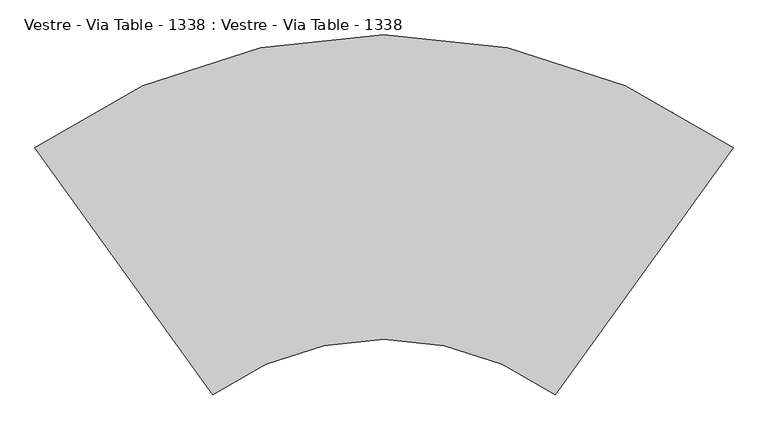
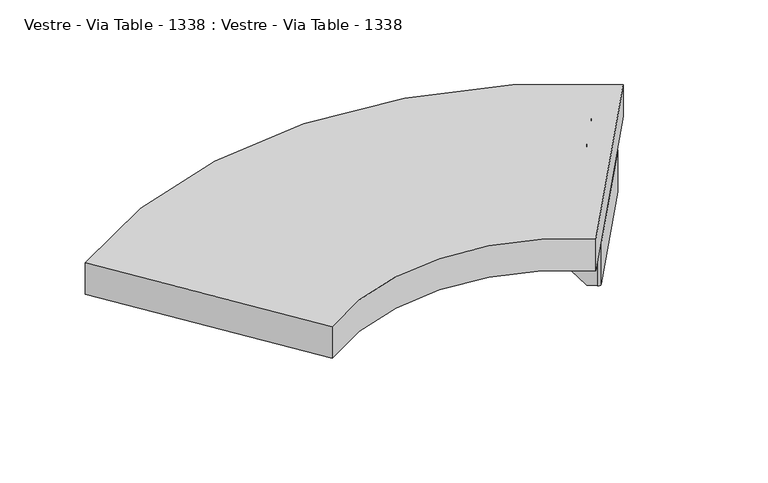
"""IFC4 building model written with IfcOpenShell, lengths in millimetres: furniture geometry, Vestre - Via Table - 1338 : Vestre - Via Table - 1338."""

from ifc_helpers import new_model, si_unit, point, frame, frame_2d, origin, place, context, project, spatial, polyline, circle_curve, trimmed, segment, composite_curve, outline, extrude, source, transform, mapped, element, save
from ifc_brep_helpers import plane_surface, cylinder_surface, revolved_surface, advanced_brep


def vestre_via_table_1338_vestre_via_table_1338_07bccf58(model_context):
    return source(origin(), model_context, "Body", "SolidModel", [
        extrude(outline(composite_curve([segment(trimmed(circle_curve(frame_2d((0.0, -743.9503157)), 489.1592), [point((286.4397613, -347.4292114))], [point((-286.4397613, -347.4292114))], True, "CARTESIAN"), True, "CONTINUOUS"), segment(polyline([(-286.4397613, -347.4292114), (-584.6026974, 66.3326325)]), True, "CONTINUOUS"), segment(trimmed(circle_curve(frame_2d((0.0, -743.8638339)), 999.088899), [point((-584.6026974, 66.3326325))], [point((584.6026974, 66.3326325))], False, "CARTESIAN"), True, "CONTINUOUS"), segment(polyline([(584.6026974, 66.3326325), (286.4397613, -347.4292114)]), True, "CONTINUOUS")], self_intersect=False)), frame((0.0, 0.0, 599.3451332), z_axis=(0.0, 0.0, 1.0), x_axis=(1.0, 0.0, 0.0)), (0.0, 0.0, 1.0), 72.0),
        advanced_brep(
        [(341.2117595, -259.4485996, 594.3451332), (342.834355, -260.617866, 592.3451332), (346.8908437, -263.541032, 592.3451332), (341.2117595, -259.4485996, 599.3451332), (518.4725482, -13.4631268, 599.3451332), (524.1516324, -17.5555593, 592.3451332), (520.0951437, -14.6323933, 592.3451332), (518.4725482, -13.4631268, 594.3451332), (346.8908437, -263.541032, 497.1951332), (524.1516324, -17.5555593, 497.1951332), (337.1193271, -265.1276837, 497.1951332), (321.9454173, -254.1931387, 497.1951332), (324.8685834, -250.1366501, 497.1951332), (340.0424931, -261.071195, 497.1951332), (342.834355, -260.617866, 497.1951332), (520.0951437, -14.6323933, 497.1951332), (519.6418146, -11.8405314, 497.1951332), (504.4679049, -0.9059864, 497.1951332), (507.3910709, 3.1505022, 497.1951332), (522.5649807, -7.7840427, 497.1951332), (434.3837169, 55.7606869, 591.4857199), (433.7278789, 56.2332936, 593.3451332), (514.8576522, -2.2300272, 593.3451332), (514.8576522, -2.2300272, 592.3451332), (522.5649807, -7.7840427, 592.3451332), (505.6182177, 4.4280466, 498.1396839), (431.4605509, 51.7041983, 591.4857199), (502.6950517, 0.371558, 498.1396839), (519.6418146, -11.8405314, 592.3451332), (511.9344862, -6.2865159, 592.3451332), (511.9344862, -6.2865159, 593.3451332), (430.8047129, 52.1768049, 593.3451332), (248.9380633, -201.582954, 591.4857199), (320.1725641, -252.9155943, 498.1396839), (337.1193271, -265.1276837, 592.3451332), (329.4119986, -259.5736682, 592.3451332), (329.4119986, -259.5736682, 593.3451332), (248.2822253, -201.1103474, 593.3451332), (251.8612294, -197.5264654, 591.4857199), (251.2053913, -197.0538587, 593.3451332), (332.3351646, -255.5171795, 593.3451332), (332.3351646, -255.5171795, 592.3451332), (340.0424931, -261.071195, 592.3451332), (323.0957301, -248.8591057, 498.1396839), (321.4414059, -94.4556509, 599.3451332), (303.0839232, -119.9303997, 599.3451332), (303.7639167, -124.1181925, 599.3451332), (330.5367419, -143.4110884, 599.3451332), (331.2167355, -147.5988812, 599.3451332), (303.972828, -185.4053556, 599.3451332), (299.7850352, -186.0853492, 599.3451332), (273.01221, -166.7924533, 599.3451332), (268.8244172, -167.4724469, 599.3451332), (250.4669344, -192.9471957, 599.3451332), (251.146928, -197.1349885, 599.3451332), (277.9197532, -216.4278844, 599.3451332), (278.5997468, -220.6156772, 599.3451332), (251.3558393, -258.4221516, 599.3451332), (247.1680465, -259.1021451, 599.3451332), (220.3952213, -239.8092493, 599.3451332), (216.2074284, -240.4892429, 599.3451332), (197.9668723, -265.8017321, 599.3451332), (198.6468659, -269.989525, 599.3451332), (243.2682412, -302.1443514, 599.3451332), (247.4560341, -301.4643578, 599.3451332), (296.5067602, -233.396478, 599.3451332), (300.694553, -232.7164844, 599.3451332), (340.0424931, -261.071195, 599.3451332), (519.6418146, -11.8405314, 599.3451332), (480.2938746, 16.5141792, 599.3451332), (479.613881, 20.701972, 599.3451332), (528.6646072, 88.7698519, 599.3451332), (527.9846136, 92.9576447, 599.3451332), (483.3632383, 125.1124711, 599.3451332), (479.1754454, 124.4324776, 599.3451332), (460.9348893, 99.1199883, 599.3451332), (461.6148829, 94.9321955, 599.3451332), (488.3877081, 75.6392996, 599.3451332), (489.0677017, 71.4515068, 599.3451332), (461.8237942, 33.6450324, 599.3451332), (457.6360014, 32.9650388, 599.3451332), (430.8631762, 52.2579347, 599.3451332), (426.6753834, 51.5779411, 599.3451332), (408.3179006, 26.1031923, 599.3451332), (408.9978942, 21.9153995, 599.3451332), (435.7707194, 2.6225036, 599.3451332), (436.450713, -1.5652892, 599.3451332), (409.2068055, -39.3717636, 599.3451332), (405.0190126, -40.0517572, 599.3451332), (378.2461874, -20.7588613, 599.3451332), (374.0583946, -21.4388549, 599.3451332), (355.7009119, -46.9136037, 599.3451332), (356.3809055, -51.1013965, 599.3451332), (383.1537307, -70.3942924, 599.3451332), (383.8337242, -74.5820852, 599.3451332), (356.5898167, -112.3885596, 599.3451332), (352.4020239, -113.0685532, 599.3451332), (325.6291987, -93.7756573, 599.3451332), (353.2530785, -159.7808182, 599.3451332), (388.138881, -184.9200462, 599.3451332), (388.8188746, -189.107839, 599.3451332), (361.5749671, -226.9143134, 599.3451332), (357.3871742, -227.5943069, 599.3451332), (322.5013717, -202.455079, 599.3451332), (321.8213781, -198.2672862, 599.3451332), (349.0652856, -160.4608118, 599.3451332), (405.8700672, -86.7640222, 599.3451332), (440.7558697, -111.9032502, 599.3451332), (441.4358633, -116.091043, 599.3451332), (412.4380562, -156.3314106, 599.3451332), (375.1183604, -129.438283, 599.3451332), (374.4383669, -125.2504902, 599.3451332), (401.6822744, -87.4440158, 599.3451332), (458.4870559, -13.7472262, 599.3451332), (493.3728584, -38.8864542, 599.3451332), (494.052852, -43.074247, 599.3451332), (466.8089445, -80.8807214, 599.3451332), (462.6211517, -81.5607149, 599.3451332), (427.7353492, -56.421487, 599.3451332), (427.0553556, -52.2336942, 599.3451332), (454.2992631, -14.4272198, 599.3451332), (321.4414059, -94.4556509, 594.3451332), (325.6291987, -93.7756573, 594.3451332), (352.4020239, -113.0685532, 594.3451332), (356.5898167, -112.3885596, 594.3451332), (383.8337242, -74.5820852, 594.3451332), (383.1537307, -70.3942924, 594.3451332), (356.3809055, -51.1013965, 594.3451332), (355.7009119, -46.9136037, 594.3451332), (374.0583946, -21.4388549, 594.3451332), (378.2461874, -20.7588613, 594.3451332), (405.0190126, -40.0517572, 594.3451332), (409.2068055, -39.3717636, 594.3451332), (436.450713, -1.5652892, 594.3451332), (435.7707194, 2.6225036, 594.3451332), (408.9978942, 21.9153995, 594.3451332), (408.3179006, 26.1031923, 594.3451332), (426.6753834, 51.5779411, 594.3451332), (430.8631762, 52.2579347, 594.3451332), (457.6360014, 32.9650388, 594.3451332), (461.8237942, 33.6450324, 594.3451332), (489.0677017, 71.4515068, 594.3451332), (488.3877081, 75.6392996, 594.3451332), (461.6148829, 94.9321955, 594.3451332), (460.9348893, 99.1199883, 594.3451332), (479.1754454, 124.4324776, 594.3451332), (483.3632383, 125.1124711, 594.3451332), (527.9846136, 92.9576447, 594.3451332), (528.6646072, 88.7698519, 594.3451332), (479.613881, 20.701972, 594.3451332), (480.2938746, 16.5141792, 594.3451332), (519.6418146, -11.8405314, 594.3451332), (340.0424931, -261.071195, 594.3451332), (300.694553, -232.7164844, 594.3451332), (296.5067602, -233.396478, 594.3451332), (247.4560341, -301.4643578, 594.3451332), (243.2682412, -302.1443514, 594.3451332), (198.6468659, -269.989525, 594.3451332), (197.9668723, -265.8017321, 594.3451332), (216.2074284, -240.4892429, 594.3451332), (220.3952213, -239.8092493, 594.3451332), (247.1680465, -259.1021451, 594.3451332), (251.3558393, -258.4221516, 594.3451332), (278.5997468, -220.6156772, 594.3451332), (277.9197532, -216.4278844, 594.3451332), (251.146928, -197.1349885, 594.3451332), (250.4669344, -192.9471957, 594.3451332), (268.8244172, -167.4724469, 594.3451332), (273.01221, -166.7924533, 594.3451332), (299.7850352, -186.0853492, 594.3451332), (303.972828, -185.4053556, 594.3451332), (331.2167355, -147.5988812, 594.3451332), (330.5367419, -143.4110884, 594.3451332), (303.7639167, -124.1181925, 594.3451332), (303.0839232, -119.9303997, 594.3451332), (353.2530785, -159.7808182, 594.3451332), (349.0652856, -160.4608118, 594.3451332), (321.8213781, -198.2672862, 594.3451332), (322.5013717, -202.455079, 594.3451332), (357.3871742, -227.5943069, 594.3451332), (361.5749671, -226.9143134, 594.3451332), (388.8188746, -189.107839, 594.3451332), (388.138881, -184.9200462, 594.3451332), (405.8700672, -86.7640222, 594.3451332), (401.6822744, -87.4440158, 594.3451332), (374.4383669, -125.2504902, 594.3451332), (375.1183604, -129.438283, 594.3451332), (412.4380562, -156.3314106, 594.3451332), (441.4358633, -116.091043, 594.3451332), (440.7558697, -111.9032502, 594.3451332), (458.4870559, -13.7472262, 594.3451332), (454.2992631, -14.4272198, 594.3451332), (427.0553556, -52.2336942, 594.3451332), (427.7353492, -56.421487, 594.3451332), (462.6211517, -81.5607149, 594.3451332), (466.8089445, -80.8807214, 594.3451332), (494.052852, -43.074247, 594.3451332), (493.3728584, -38.8864542, 594.3451332)],
        [
            (0, 1, circle_curve(frame((341.2117595, -259.4485996, 592.3451332), z_axis=(0.5846332081206281, 0.8112977332413683, 0.0), x_axis=(-0.8112977332413683, 0.5846332081206281, 0.0)), 2.0)),
            (1, 2),
            (2, 3, circle_curve(frame((341.2117595, -259.4485996, 592.3451332), z_axis=(-0.5846332081206281, -0.8112977332413683, 0.0), x_axis=(-0.8112977332413683, 0.5846332081206281, 0.0)), 7.0)),
            (3, 0),
            (4, 5, circle_curve(frame((518.4725482, -13.4631268, 592.3451332), z_axis=(0.5846332081206281, 0.8112977332413683, 0.0), x_axis=(-0.8112977332413683, 0.5846332081206281, 0.0)), 7.0)),
            (5, 6),
            (6, 7, circle_curve(frame((518.4725482, -13.4631268, 592.3451332), z_axis=(-0.5846332081206281, -0.8112977332413683, 0.0), x_axis=(-0.8112977332413683, 0.5846332081206281, 0.0)), 2.0)),
            (7, 4),
            (2, 5),
            (4, 3),
            (0, 7),
            (6, 1),
            (2, 8),
            (8, 9),
            (9, 5),
            (8, 10, circle_curve(frame((341.2117595, -259.4485996, 497.1951332), z_axis=(0.0, 0.0, -1.0), x_axis=(-0.8112977332413683, 0.5846332081206281, 0.0)), 7.0)),
            (10, 11),
            (11, 12),
            (12, 13),
            (13, 14, circle_curve(frame((341.2117595, -259.4485996, 497.1951332), z_axis=(0.0, 0.0, 1.0), x_axis=(-0.8112977332413683, 0.5846332081206281, 0.0)), 2.0)),
            (14, 15),
            (15, 16, circle_curve(frame((518.4725482, -13.4631268, 497.1951332), z_axis=(0.0, 0.0, 1.0), x_axis=(-0.8112977332413683, 0.5846332081206281, 0.0)), 2.0)),
            (16, 17),
            (17, 18),
            (18, 19),
            (19, 9, circle_curve(frame((518.4725482, -13.4631268, 497.1951332), z_axis=(0.0, 0.0, -1.0), x_axis=(-0.8112977332413683, 0.5846332081206281, 0.0)), 7.0)),
            (6, 15),
            (14, 1),
            (20, 21, circle_curve(frame((436.1565702, 54.4831425, 593.5411692), z_axis=(0.5846332081209136, 0.8112977332411626, 0.0), x_axis=(-0.8095637557041232, 0.5833836781287255, -0.06534531003243231)), 3.0)),
            (21, 22),
            (22, 23),
            (23, 24),
            (24, 19),
            (18, 25, circle_curve(frame((507.3910709, 3.1505022, 500.1951332), z_axis=(0.5846332081202801, 0.8112977332416191, 0.0), x_axis=(0.0, 0.0, -1.0)), 3.0)),
            (25, 20),
            (26, 27),
            (27, 17, circle_curve(frame((504.4679049, -0.9059864, 500.1951332), z_axis=(-0.5846332081202801, -0.8112977332416191, 0.0), x_axis=(0.0, 0.0, -1.0)), 3.0)),
            (16, 28),
            (28, 29),
            (29, 30),
            (30, 31),
            (31, 26, circle_curve(frame((433.2334041, 50.4266539, 593.5411692), z_axis=(-0.5846332081209136, -0.8112977332411626, 0.0), x_axis=(-0.8095637557041232, 0.5833836781287255, -0.06534531003243231)), 3.0)),
            (20, 26),
            (31, 21),
            (30, 22),
            (29, 23),
            (28, 6, circle_curve(frame((518.4725482, -13.4631268, 592.3451332), z_axis=(0.0, 0.0, -1.0), x_axis=(-0.8112977332413683, 0.5846332081206281, 0.0)), 2.0)),
            (5, 24, circle_curve(frame((518.4725482, -13.4631268, 592.3451332), z_axis=(0.0, 0.0, 1.0), x_axis=(-0.8112977332413683, 0.5846332081206281, 0.0)), 7.0)),
            (27, 25),
            (32, 33),
            (33, 11, circle_curve(frame((321.9454173, -254.1931387, 500.1951332), z_axis=(-0.5846332081209762, -0.8112977332411175, 0.0), x_axis=(0.0, 0.0, -1.0)), 3.0)),
            (10, 34),
            (34, 35),
            (35, 36),
            (36, 37),
            (37, 32, circle_curve(frame((250.7109165, -202.8604984, 593.5411692), z_axis=(-0.5846332081203428, -0.8112977332415738, 0.0), x_axis=(-0.8095637557045452, 0.5833836781281397, -0.06534531003243231)), 3.0)),
            (38, 39, circle_curve(frame((253.6340826, -198.8040098, 593.5411692), z_axis=(0.5846332081203428, 0.8112977332415738, 0.0), x_axis=(-0.8095637557045452, 0.5833836781281397, -0.06534531003243231)), 3.0)),
            (39, 40),
            (40, 41),
            (41, 42),
            (42, 13),
            (12, 43, circle_curve(frame((324.8685834, -250.1366501, 500.1951332), z_axis=(0.5846332081209762, 0.8112977332411175, 0.0), x_axis=(0.0, 0.0, -1.0)), 3.0)),
            (43, 38),
            (37, 39),
            (38, 32),
            (36, 40),
            (35, 41),
            (34, 2, circle_curve(frame((341.2117595, -259.4485996, 592.3451332), z_axis=(0.0, 0.0, 1.0), x_axis=(-0.8112977332413683, 0.5846332081206281, 0.0)), 7.0)),
            (1, 42, circle_curve(frame((341.2117595, -259.4485996, 592.3451332), z_axis=(0.0, 0.0, -1.0), x_axis=(-0.8112977332413683, 0.5846332081206281, 0.0)), 2.0)),
            (33, 43),
            (44, 45),
            (45, 46, circle_curve(frame((305.5178164, -121.6842993, 599.3451332), z_axis=(0.0, 0.0, 1.0), x_axis=(-0.8112977332413156, 0.5846332081207013, 0.0)), 3.0)),
            (46, 47),
            (47, 48, circle_curve(frame((328.7828423, -145.8449816, 599.3451332), z_axis=(0.0, 0.0, -1.0), x_axis=(0.8112977332415794, -0.5846332081203353, 0.0)), 3.0)),
            (48, 49),
            (49, 50, circle_curve(frame((301.5389348, -183.651456, 599.3451332), z_axis=(0.0, 0.0, -1.0), x_axis=(-0.5846332081207379, -0.8112977332412892, 0.0)), 3.0)),
            (50, 51),
            (51, 52, circle_curve(frame((271.2583104, -169.2263465, 599.3451332), z_axis=(0.0, 0.0, 1.0), x_axis=(0.584633208120555, 0.8112977332414211, 0.0)), 3.0)),
            (52, 53),
            (53, 54, circle_curve(frame((252.9008276, -194.7010953, 599.3451332), z_axis=(0.0, 0.0, 1.0), x_axis=(-0.8112977332414211, 0.584633208120555, 0.0)), 3.0)),
            (54, 55),
            (55, 56, circle_curve(frame((276.1658536, -218.8617776, 599.3451332), z_axis=(0.0, 0.0, -1.0), x_axis=(0.8112977332413156, -0.5846332081207013, 0.0)), 3.0)),
            (56, 57),
            (57, 58, circle_curve(frame((248.9219461, -256.6682519, 599.3451332), z_axis=(0.0, 0.0, -1.0), x_axis=(-0.5846332081205915, -0.8112977332413948, 0.0)), 3.0)),
            (58, 59),
            (59, 60, circle_curve(frame((218.6413216, -242.2431425, 599.3451332), z_axis=(0.0, 0.0, 1.0), x_axis=(0.584633208120555, 0.8112977332414211, 0.0)), 3.0)),
            (60, 61),
            (61, 62, circle_curve(frame((200.4007655, -267.5556318, 599.3451332), z_axis=(0.0, 0.0, 1.0), x_axis=(-0.8112977332413683, 0.5846332081206281, 0.0)), 3.0)),
            (62, 63),
            (63, 64, circle_curve(frame((245.0221409, -299.7104582, 599.3451332), z_axis=(0.0, 0.0, 1.0), x_axis=(-0.5846332081206281, -0.8112977332413683, 0.0)), 3.0)),
            (64, 65),
            (65, 66, circle_curve(frame((298.9406534, -235.1503776, 599.3451332), z_axis=(0.0, 0.0, -1.0), x_axis=(0.5846332081206281, 0.8112977332413683, 0.0)), 3.0)),
            (66, 67),
            (67, 3),
            (4, 68),
            (68, 69),
            (69, 70, circle_curve(frame((482.0477742, 18.9480724, 599.3451332), z_axis=(0.0, 0.0, -1.0), x_axis=(-0.8112977332413156, 0.5846332081207013, 0.0)), 3.0)),
            (70, 71),
            (71, 72, circle_curve(frame((526.230714, 90.5237515, 599.3451332), z_axis=(0.0, 0.0, 1.0), x_axis=(0.5846332081204085, 0.8112977332415267, 0.0)), 3.0)),
            (72, 73),
            (73, 74, circle_curve(frame((481.6093386, 122.6785779, 599.3451332), z_axis=(0.0, 0.0, 1.0), x_axis=(0.5846332081207379, 0.8112977332412892, 0.0)), 3.0)),
            (74, 75),
            (75, 76, circle_curve(frame((463.3687825, 97.3660887, 599.3451332), z_axis=(0.0, 0.0, 1.0), x_axis=(-0.81129773324121, 0.5846332081208477, 0.0)), 3.0)),
            (76, 77),
            (77, 78, circle_curve(frame((486.6338085, 73.2054064, 599.3451332), z_axis=(0.0, 0.0, -1.0), x_axis=(0.8112977332413156, -0.5846332081207013, 0.0)), 3.0)),
            (78, 79),
            (79, 80, circle_curve(frame((459.389901, 35.398932, 599.3451332), z_axis=(0.0, 0.0, -1.0), x_axis=(-0.5846332081205915, -0.8112977332413948, 0.0)), 3.0)),
            (80, 81),
            (81, 82, circle_curve(frame((429.1092766, 49.8240415, 599.3451332), z_axis=(0.0, 0.0, 1.0), x_axis=(0.584633208120555, 0.8112977332414211, 0.0)), 3.0)),
            (82, 83),
            (83, 84, circle_curve(frame((410.7517938, 24.3492927, 599.3451332), z_axis=(0.0, 0.0, 1.0), x_axis=(-0.8112977332412629, 0.5846332081207746, 0.0)), 3.0)),
            (84, 85),
            (85, 86, circle_curve(frame((434.0168198, 0.1886104, 599.3451332), z_axis=(0.0, 0.0, -1.0), x_axis=(0.8112977332412629, -0.5846332081207746, 0.0)), 3.0)),
            (86, 87),
            (87, 88, circle_curve(frame((406.7729123, -37.617864, 599.3451332), z_axis=(0.0, 0.0, -1.0), x_axis=(-0.5846332081205915, -0.8112977332413948, 0.0)), 3.0)),
            (88, 89),
            (89, 90, circle_curve(frame((376.4922878, -23.1927545, 599.3451332), z_axis=(0.0, 0.0, 1.0), x_axis=(0.584633208120555, 0.8112977332414211, 0.0)), 3.0)),
            (90, 91),
            (91, 92, circle_curve(frame((358.1348051, -48.6675033, 599.3451332), z_axis=(0.0, 0.0, 1.0), x_axis=(-0.8112977332412629, 0.5846332081207746, 0.0)), 3.0)),
            (92, 93),
            (93, 94, circle_curve(frame((381.399831, -72.8281856, 599.3451332), z_axis=(0.0, 0.0, -1.0), x_axis=(0.8112977332414211, -0.584633208120555, 0.0)), 3.0)),
            (94, 95),
            (95, 96, circle_curve(frame((354.1559235, -110.63466, 599.3451332), z_axis=(0.0, 0.0, -1.0), x_axis=(-0.5846332081206281, -0.8112977332413683, 0.0)), 3.0)),
            (96, 97),
            (97, 44, circle_curve(frame((323.8752991, -96.2095505, 599.3451332), z_axis=(0.0, 0.0, 1.0), x_axis=(0.5846332081207013, 0.8112977332413156, 0.0)), 3.0)),
            (98, 99),
            (99, 100, circle_curve(frame((386.3849814, -187.3539394, 599.3451332), z_axis=(0.0, 0.0, -1.0), x_axis=(0.8112977332413683, -0.5846332081206281, 0.0)), 3.0)),
            (100, 101),
            (101, 102, circle_curve(frame((359.1410739, -225.1604137, 599.3451332), z_axis=(0.0, 0.0, -1.0), x_axis=(-0.5846332081206648, -0.8112977332413419, 0.0)), 3.0)),
            (102, 103),
            (103, 104, circle_curve(frame((324.2552713, -200.0211858, 599.3451332), z_axis=(0.0, 0.0, -1.0), x_axis=(-0.8112977332413156, 0.5846332081207013, 0.0)), 3.0)),
            (104, 105),
            (105, 98, circle_curve(frame((351.4991788, -162.2147114, 599.3451332), z_axis=(0.0, 0.0, -1.0), x_axis=(0.584633208120555, 0.8112977332414211, 0.0)), 3.0)),
            (106, 107),
            (107, 108, circle_curve(frame((439.0019701, -114.3371434, 599.3451332), z_axis=(0.0, 0.0, -1.0), x_axis=(0.8112977332414211, -0.584633208120555, 0.0)), 3.0)),
            (108, 109),
            (109, 110),
            (110, 111, circle_curve(frame((376.8722601, -127.0043898, 599.3451332), z_axis=(0.0, 0.0, -1.0), x_axis=(-0.8112977332413156, 0.5846332081207013, 0.0)), 3.0)),
            (111, 112),
            (112, 106, circle_curve(frame((404.1161676, -89.1979154, 599.3451332), z_axis=(0.0, 0.0, -1.0), x_axis=(0.584633208120555, 0.8112977332414211, 0.0)), 3.0)),
            (113, 114),
            (114, 115, circle_curve(frame((491.6189588, -41.3203474, 599.3451332), z_axis=(0.0, 0.0, -1.0), x_axis=(0.8112977332413156, -0.5846332081207013, 0.0)), 3.0)),
            (115, 116),
            (116, 117, circle_curve(frame((464.3750513, -79.1268217, 599.3451332), z_axis=(0.0, 0.0, -1.0), x_axis=(-0.5846332081207379, -0.8112977332412892, 0.0)), 3.0)),
            (117, 118),
            (118, 119, circle_curve(frame((429.4892488, -53.9875938, 599.3451332), z_axis=(0.0, 0.0, -1.0), x_axis=(-0.8112977332413156, 0.5846332081207013, 0.0)), 3.0)),
            (119, 120),
            (120, 113, circle_curve(frame((456.7331563, -16.1811194, 599.3451332), z_axis=(0.0, 0.0, -1.0), x_axis=(0.584633208120555, 0.8112977332414211, 0.0)), 3.0)),
            (121, 122, circle_curve(frame((323.8752991, -96.2095505, 594.3451332), z_axis=(0.0, 0.0, -1.0), x_axis=(0.5846332081207013, 0.8112977332413156, 0.0)), 3.0)),
            (122, 123),
            (123, 124, circle_curve(frame((354.1559235, -110.63466, 594.3451332), z_axis=(0.0, 0.0, 1.0), x_axis=(-0.5846332081206281, -0.8112977332413683, 0.0)), 3.0)),
            (124, 125),
            (125, 126, circle_curve(frame((381.399831, -72.8281856, 594.3451332), z_axis=(0.0, 0.0, 1.0), x_axis=(0.8112977332414211, -0.584633208120555, 0.0)), 3.0)),
            (126, 127),
            (127, 128, circle_curve(frame((358.1348051, -48.6675033, 594.3451332), z_axis=(0.0, 0.0, -1.0), x_axis=(-0.8112977332412629, 0.5846332081207746, 0.0)), 3.0)),
            (128, 129),
            (129, 130, circle_curve(frame((376.4922878, -23.1927545, 594.3451332), z_axis=(0.0, 0.0, -1.0), x_axis=(0.584633208120555, 0.8112977332414211, 0.0)), 3.0)),
            (130, 131),
            (131, 132, circle_curve(frame((406.7729123, -37.617864, 594.3451332), z_axis=(0.0, 0.0, 1.0), x_axis=(-0.5846332081205915, -0.8112977332413948, 0.0)), 3.0)),
            (132, 133),
            (133, 134, circle_curve(frame((434.0168198, 0.1886104, 594.3451332), z_axis=(0.0, 0.0, 1.0), x_axis=(0.8112977332412629, -0.5846332081207746, 0.0)), 3.0)),
            (134, 135),
            (135, 136, circle_curve(frame((410.7517938, 24.3492927, 594.3451332), z_axis=(0.0, 0.0, -1.0), x_axis=(-0.8112977332412629, 0.5846332081207746, 0.0)), 3.0)),
            (136, 137),
            (137, 138, circle_curve(frame((429.1092766, 49.8240415, 594.3451332), z_axis=(0.0, 0.0, -1.0), x_axis=(0.584633208120555, 0.8112977332414211, 0.0)), 3.0)),
            (138, 139),
            (139, 140, circle_curve(frame((459.389901, 35.398932, 594.3451332), z_axis=(0.0, 0.0, 1.0), x_axis=(-0.5846332081205915, -0.8112977332413948, 0.0)), 3.0)),
            (140, 141),
            (141, 142, circle_curve(frame((486.6338085, 73.2054064, 594.3451332), z_axis=(0.0, 0.0, 1.0), x_axis=(0.8112977332413156, -0.5846332081207013, 0.0)), 3.0)),
            (142, 143),
            (143, 144, circle_curve(frame((463.3687825, 97.3660887, 594.3451332), z_axis=(0.0, 0.0, -1.0), x_axis=(-0.81129773324121, 0.5846332081208477, 0.0)), 3.0)),
            (144, 145),
            (145, 146, circle_curve(frame((481.6093386, 122.6785779, 594.3451332), z_axis=(0.0, 0.0, -1.0), x_axis=(0.5846332081207379, 0.8112977332412892, 0.0)), 3.0)),
            (146, 147),
            (147, 148, circle_curve(frame((526.230714, 90.5237515, 594.3451332), z_axis=(0.0, 0.0, -1.0), x_axis=(0.5846332081204085, 0.8112977332415267, 0.0)), 3.0)),
            (148, 149),
            (149, 150, circle_curve(frame((482.0477742, 18.9480724, 594.3451332), z_axis=(0.0, 0.0, 1.0), x_axis=(-0.8112977332413156, 0.5846332081207013, 0.0)), 3.0)),
            (150, 151),
            (151, 7),
            (0, 152),
            (152, 153),
            (153, 154, circle_curve(frame((298.9406534, -235.1503776, 594.3451332), z_axis=(0.0, 0.0, 1.0), x_axis=(0.5846332081206281, 0.8112977332413683, 0.0)), 3.0)),
            (154, 155),
            (155, 156, circle_curve(frame((245.0221409, -299.7104582, 594.3451332), z_axis=(0.0, 0.0, -1.0), x_axis=(-0.5846332081206281, -0.8112977332413683, 0.0)), 3.0)),
            (156, 157),
            (157, 158, circle_curve(frame((200.4007655, -267.5556318, 594.3451332), z_axis=(0.0, 0.0, -1.0), x_axis=(-0.8112977332413683, 0.5846332081206281, 0.0)), 3.0)),
            (158, 159),
            (159, 160, circle_curve(frame((218.6413216, -242.2431425, 594.3451332), z_axis=(0.0, 0.0, -1.0), x_axis=(0.584633208120555, 0.8112977332414211, 0.0)), 3.0)),
            (160, 161),
            (161, 162, circle_curve(frame((248.9219461, -256.6682519, 594.3451332), z_axis=(0.0, 0.0, 1.0), x_axis=(-0.5846332081205915, -0.8112977332413948, 0.0)), 3.0)),
            (162, 163),
            (163, 164, circle_curve(frame((276.1658536, -218.8617776, 594.3451332), z_axis=(0.0, 0.0, 1.0), x_axis=(0.8112977332413156, -0.5846332081207013, 0.0)), 3.0)),
            (164, 165),
            (165, 166, circle_curve(frame((252.9008276, -194.7010953, 594.3451332), z_axis=(0.0, 0.0, -1.0), x_axis=(-0.8112977332414211, 0.584633208120555, 0.0)), 3.0)),
            (166, 167),
            (167, 168, circle_curve(frame((271.2583104, -169.2263465, 594.3451332), z_axis=(0.0, 0.0, -1.0), x_axis=(0.584633208120555, 0.8112977332414211, 0.0)), 3.0)),
            (168, 169),
            (169, 170, circle_curve(frame((301.5389348, -183.651456, 594.3451332), z_axis=(0.0, 0.0, 1.0), x_axis=(-0.5846332081207379, -0.8112977332412892, 0.0)), 3.0)),
            (170, 171),
            (171, 172, circle_curve(frame((328.7828423, -145.8449816, 594.3451332), z_axis=(0.0, 0.0, 1.0), x_axis=(0.8112977332415794, -0.5846332081203353, 0.0)), 3.0)),
            (172, 173),
            (173, 174, circle_curve(frame((305.5178164, -121.6842993, 594.3451332), z_axis=(0.0, 0.0, -1.0), x_axis=(-0.8112977332413156, 0.5846332081207013, 0.0)), 3.0)),
            (174, 121),
            (175, 176, circle_curve(frame((351.4991788, -162.2147114, 594.3451332), z_axis=(0.0, 0.0, 1.0), x_axis=(0.584633208120555, 0.8112977332414211, 0.0)), 3.0)),
            (176, 177),
            (177, 178, circle_curve(frame((324.2552713, -200.0211858, 594.3451332), z_axis=(0.0, 0.0, 1.0), x_axis=(-0.8112977332413156, 0.5846332081207013, 0.0)), 3.0)),
            (178, 179),
            (179, 180, circle_curve(frame((359.1410739, -225.1604137, 594.3451332), z_axis=(0.0, 0.0, 1.0), x_axis=(-0.5846332081206648, -0.8112977332413419, 0.0)), 3.0)),
            (180, 181),
            (181, 182, circle_curve(frame((386.3849814, -187.3539394, 594.3451332), z_axis=(0.0, 0.0, 1.0), x_axis=(0.8112977332413683, -0.5846332081206281, 0.0)), 3.0)),
            (182, 175),
            (183, 184, circle_curve(frame((404.1161676, -89.1979154, 594.3451332), z_axis=(0.0, 0.0, 1.0), x_axis=(0.584633208120555, 0.8112977332414211, 0.0)), 3.0)),
            (184, 185),
            (185, 186, circle_curve(frame((376.8722601, -127.0043898, 594.3451332), z_axis=(0.0, 0.0, 1.0), x_axis=(-0.8112977332413156, 0.5846332081207013, 0.0)), 3.0)),
            (186, 187),
            (187, 188),
            (188, 189, circle_curve(frame((439.0019701, -114.3371434, 594.3451332), z_axis=(0.0, 0.0, 1.0), x_axis=(0.8112977332414211, -0.584633208120555, 0.0)), 3.0)),
            (189, 183),
            (190, 191, circle_curve(frame((456.7331563, -16.1811194, 594.3451332), z_axis=(0.0, 0.0, 1.0), x_axis=(0.584633208120555, 0.8112977332414211, 0.0)), 3.0)),
            (191, 192),
            (192, 193, circle_curve(frame((429.4892488, -53.9875938, 594.3451332), z_axis=(0.0, 0.0, 1.0), x_axis=(-0.8112977332413156, 0.5846332081207013, 0.0)), 3.0)),
            (193, 194),
            (194, 195, circle_curve(frame((464.3750513, -79.1268217, 594.3451332), z_axis=(0.0, 0.0, 1.0), x_axis=(-0.5846332081207379, -0.8112977332412892, 0.0)), 3.0)),
            (195, 196),
            (196, 197, circle_curve(frame((491.6189588, -41.3203474, 594.3451332), z_axis=(0.0, 0.0, 1.0), x_axis=(0.8112977332413156, -0.5846332081207013, 0.0)), 3.0)),
            (197, 190),
            (97, 122),
            (121, 44),
            (96, 123),
            (95, 124),
            (94, 125),
            (93, 126),
            (92, 127),
            (91, 128),
            (90, 129),
            (89, 130),
            (88, 131),
            (87, 132),
            (86, 133),
            (85, 134),
            (84, 135),
            (83, 136),
            (82, 137),
            (81, 138),
            (80, 139),
            (79, 140),
            (78, 141),
            (77, 142),
            (76, 143),
            (75, 144),
            (74, 145),
            (73, 146),
            (72, 147),
            (71, 148),
            (70, 149),
            (69, 150),
            (68, 151),
            (67, 152),
            (66, 153),
            (65, 154),
            (64, 155),
            (63, 156),
            (62, 157),
            (61, 158),
            (60, 159),
            (59, 160),
            (58, 161),
            (57, 162),
            (56, 163),
            (55, 164),
            (54, 165),
            (53, 166),
            (52, 167),
            (51, 168),
            (50, 169),
            (49, 170),
            (48, 171),
            (47, 172),
            (46, 173),
            (45, 174),
            (105, 176),
            (175, 98),
            (104, 177),
            (103, 178),
            (102, 179),
            (101, 180),
            (100, 181),
            (99, 182),
            (112, 184),
            (183, 106),
            (111, 185),
            (110, 186),
            (109, 187),
            (108, 188),
            (107, 189),
            (120, 191),
            (190, 113),
            (119, 192),
            (118, 193),
            (117, 194),
            (116, 195),
            (115, 196),
            (114, 197),
        ],
        [
            plane_surface(frame((339.5891641, -258.2793331, 592.3451332), z_axis=(-0.5846332081206281, -0.8112977332413682, 0.0), x_axis=(0.0, 0.0, 1.0))),
            plane_surface(frame((516.8499528, -12.2938604, 592.3451332), z_axis=(0.5846332081206281, 0.8112977332413682, 0.0), x_axis=(0.0, 0.0, -1.0))),
            cylinder_surface(frame((518.4725482, -13.4631268, 592.3451332), z_axis=(-0.5846332081206281, -0.8112977332413683, 0.0), x_axis=(-0.8112977332413683, 0.5846332081206281, 0.0)), 7.0),
            revolved_surface(polyline([(516.8499527335173, -12.293860383758743, 592.3451332), (339.5891639935638, -258.2793331549678, 592.3451332)]), (518.4725482, -13.4631268, 592.3451332), (0.5846332081206281, 0.8112977332413683, 0.0)),
            plane_surface(frame((346.8908437, -263.541032, 497.1951332), z_axis=(0.8112977332413682, -0.5846332081206281, 0.0), x_axis=(0.5846332081206281, 0.8112977332413682, 0.0))),
            plane_surface(frame((342.834355, -260.617866, 497.1951332), z_axis=(0.0, 0.0, -1.0), x_axis=(0.5846332081206281, 0.8112977332413682, 0.0))),
            plane_surface(frame((342.834355, -260.617866, 592.3451332), z_axis=(-0.8112977332413681, 0.5846332081206284, 0.0), x_axis=(0.5846332081206284, 0.8112977332413681, 0.0))),
            plane_surface(frame((433.7278789, 56.2332936, 593.3451332), z_axis=(0.5846332081206282, 0.8112977332413683, 0.0), x_axis=(-0.053014501907266774, 0.03820303823989797, 0.9978627112267325))),
            plane_surface(frame((430.8047129, 52.1768049, 593.3451332), z_axis=(-0.5846332081206282, -0.8112977332413683, 0.0), x_axis=(0.053014501907266774, -0.03820303823989797, -0.9978627112267325))),
            cylinder_surface(frame((433.2334041, 50.4266539, 593.5411692), z_axis=(0.5846332081209137, 0.8112977332411628, 0.0), x_axis=(-0.8095637557041232, 0.5833836781287255, -0.06534531003243231)), 3.0),
            plane_surface(frame((433.7278789, 56.2332936, 593.3451332), z_axis=(0.0, 0.0, 1.0000000000000002), x_axis=(-0.5846332081206265, -0.8112977332413696, 0.0))),
            plane_surface(frame((514.8576522, -2.2300272, 593.3451332), z_axis=(0.8112977332413608, -0.5846332081206385, 0.0), x_axis=(-0.5846332081206385, -0.8112977332413608, 0.0))),
            plane_surface(frame((514.8576522, -2.2300272, 592.3451332), z_axis=(0.0, 0.0, 1.0), x_axis=(-0.5846332081206256, -0.8112977332413701, 0.0))),
            cylinder_surface(frame((504.4679049, -0.9059864, 500.1951332), z_axis=(0.5846332081202801, 0.8112977332416191, 0.0), x_axis=(0.0, 0.0, -1.0)), 3.0),
            plane_surface(frame((505.6182177, 4.4280466, 498.1396839), z_axis=(-0.5909510777443951, 0.42584813228027535, -0.6851497587725905), x_axis=(-0.5846332081206385, -0.8112977332413608, 0.0))),
            revolved_surface(polyline([(516.8499527335173, -12.293860383758743, 497.1951332), (516.8499527335173, -12.293860383758743, 592.3451332)]), (518.4725482, -13.4631268, 497.1951332), (0.0, 0.0, -1.0000000000000002)),
            cylinder_surface(frame((518.4725482, -13.4631268, 497.1951332), z_axis=(0.0, 0.0, 1.0000000000000002), x_axis=(-0.8112977332413683, 0.5846332081206281, 0.0)), 7.0),
            plane_surface(frame((320.1725641, -252.9155943, 498.1396839), z_axis=(-0.5846332081206282, -0.8112977332413684, 0.0), x_axis=(0.555860446223073, -0.40056130151429403, -0.7284022295777665))),
            plane_surface(frame((323.0957301, -248.8591057, 498.1396839), z_axis=(0.5846332081206282, 0.8112977332413684, 0.0), x_axis=(-0.555860446223073, 0.40056130151429403, 0.7284022295777665))),
            cylinder_surface(frame((253.6340826, -198.8040098, 593.5411692), z_axis=(-0.5846332081203429, -0.8112977332415741, 0.0), x_axis=(-0.8095637557045452, 0.5833836781281397, -0.06534531003243231)), 3.0),
            plane_surface(frame((329.4119986, -259.5736682, 593.3451332), z_axis=(0.0, 0.0, 1.0), x_axis=(0.5846332081206296, 0.8112977332413672, 0.0))),
            plane_surface(frame((329.4119986, -259.5736682, 592.3451332), z_axis=(0.8112977332413696, -0.5846332081206265, 0.0), x_axis=(0.5846332081206265, 0.8112977332413696, 0.0))),
            plane_surface(frame((337.1193271, -265.1276837, 592.3451332), z_axis=(0.0, 0.0, 1.0000000000000002), x_axis=(0.5846332081206265, 0.8112977332413696, 0.0))),
            cylinder_surface(frame((324.8685834, -250.1366501, 500.1951332), z_axis=(-0.5846332081209762, -0.8112977332411175, 0.0), x_axis=(0.0, 0.0, -1.0)), 3.0),
            plane_surface(frame((248.9380633, -201.582954, 591.4857199), z_axis=(-0.5909510777443999, 0.42584813228026897, -0.6851497587725905), x_axis=(0.5846332081206296, 0.8112977332413672, 0.0))),
            revolved_surface(polyline([(339.5891640335173, -258.27933318375875, 497.1951332), (339.5891640335173, -258.27933318375875, 592.3451332)]), (341.2117595, -259.4485996, 497.1951332), (0.0, 0.0, -1.0000000000000002)),
            cylinder_surface(frame((341.2117595, -259.4485996, 497.1951332), z_axis=(0.0, 0.0, 1.0000000000000002), x_axis=(-0.8112977332413683, 0.5846332081206281, 0.0)), 7.0),
            plane_surface(frame((303.0839232, -119.9303997, 599.3451332), z_axis=(0.0, 0.0, 1.0), x_axis=(-0.5846332081206269, -0.8112977332413691, 0.0))),
            plane_surface(frame((303.0839232, -119.9303997, 594.3451332), z_axis=(0.0, 0.0, -1.0), x_axis=(0.5846332081206269, 0.8112977332413691, 0.0))),
            cylinder_surface(frame((323.8752991, -96.2095505, 594.3451332), z_axis=(0.0, 0.0, 1.0), x_axis=(0.5846332081207013, 0.8112977332413156, 0.0)), 3.0),
            plane_surface(frame((352.4020239, -113.0685532, 599.3451332), z_axis=(0.5846332081206265, 0.8112977332413694, 0.0), x_axis=(0.0, 0.0, -1.0))),
            revolved_surface(polyline([(352.40202387563806, -113.06855319972411, 594.3451332), (352.40202387563806, -113.06855319972411, 599.3451332)]), (354.1559235, -110.63466, 594.3451332), (0.0, 0.0, -1.0000000000000002)),
            plane_surface(frame((383.8337242, -74.5820852, 599.3451332), z_axis=(-0.8112977332413669, 0.5846332081206299, 0.0), x_axis=(0.0, 0.0, -1.0))),
            revolved_surface(polyline([(383.83372419972426, -74.58208522436166, 594.3451332), (383.83372419972426, -74.58208522436166, 599.3451332)]), (381.399831, -72.8281856, 594.3451332), (0.0, 0.0, -1.0)),
            plane_surface(frame((356.3809055, -51.1013965, 599.3451332), z_axis=(-0.584633208120661, -0.8112977332413447, 0.0), x_axis=(0.0, 0.0, -1.0))),
            cylinder_surface(frame((358.1348051, -48.6675033, 594.3451332), z_axis=(0.0, 0.0, 1.0000000000000002), x_axis=(-0.8112977332412629, 0.5846332081207746, 0.0)), 3.0),
            plane_surface(frame((374.0583946, -21.4388549, 599.3451332), z_axis=(-0.8112977332413662, 0.5846332081206311, 0.0), x_axis=(0.0, 0.0, -1.0))),
            cylinder_surface(frame((376.4922878, -23.1927545, 594.3451332), z_axis=(0.0, 0.0, 1.0), x_axis=(0.584633208120555, 0.8112977332414211, 0.0)), 3.0),
            plane_surface(frame((405.0190126, -40.0517572, 599.3451332), z_axis=(0.5846332081206284, 0.8112977332413682, 0.0), x_axis=(0.0, 0.0, -1.0))),
            revolved_surface(polyline([(405.0190126756382, -40.05175719972418, 594.3451332), (405.0190126756382, -40.05175719972418, 599.3451332)]), (406.7729123, -37.617864, 594.3451332), (0.0, 0.0, -1.0000000000000002)),
            plane_surface(frame((436.450713, -1.5652892, 599.3451332), z_axis=(-0.8112977332413751, 0.5846332081206187, 0.0), x_axis=(0.0, 0.0, -1.0))),
            revolved_surface(polyline([(436.4507129997238, -1.5652892243623238, 594.3451332), (436.4507129997238, -1.5652892243623238, 599.3451332)]), (434.0168198, 0.1886104, 594.3451332), (0.0, 0.0, -1.0000000000000002)),
            plane_surface(frame((408.9978942, 21.9153995, 599.3451332), z_axis=(-0.5846332081206079, -0.8112977332413828, 0.0), x_axis=(0.0, 0.0, -1.0))),
            cylinder_surface(frame((410.7517938, 24.3492927, 594.3451332), z_axis=(0.0, 0.0, 1.0000000000000002), x_axis=(-0.8112977332412629, 0.5846332081207746, 0.0)), 3.0),
            plane_surface(frame((426.6753834, 51.5779411, 599.3451332), z_axis=(-0.8112977332413681, 0.5846332081206284, 0.0), x_axis=(0.0, 0.0, -1.0))),
            cylinder_surface(frame((429.1092766, 49.8240415, 594.3451332), z_axis=(0.0, 0.0, 1.0), x_axis=(0.584633208120555, 0.8112977332414211, 0.0)), 3.0),
            plane_surface(frame((457.6360014, 32.9650388, 599.3451332), z_axis=(0.5846332081206287, 0.8112977332413679, 0.0), x_axis=(0.0, 0.0, -1.0))),
            revolved_surface(polyline([(457.6360013756382, 32.96503880027582, 594.3451332), (457.6360013756382, 32.96503880027582, 599.3451332)]), (459.389901, 35.398932, 594.3451332), (0.0, 0.0, -1.0000000000000002)),
            plane_surface(frame((489.0677017, 71.4515068, 599.3451332), z_axis=(-0.8112977332413718, 0.5846332081206232, 0.0), x_axis=(0.0, 0.0, -1.0))),
            revolved_surface(polyline([(489.06770169972395, 71.4515067756379, 594.3451332), (489.06770169972395, 71.4515067756379, 599.3451332)]), (486.6338085, 73.2054064, 594.3451332), (0.0, 0.0, -1.0)),
            plane_surface(frame((461.6148829, 94.9321955, 599.3451332), z_axis=(-0.5846332081206218, -0.8112977332413728, 0.0), x_axis=(0.0, 0.0, -1.0))),
            cylinder_surface(frame((463.3687825, 97.3660887, 594.3451332), z_axis=(0.0, 0.0, 1.0), x_axis=(-0.81129773324121, 0.5846332081208477, 0.0)), 3.0),
            plane_surface(frame((479.1754454, 124.4324776, 599.3451332), z_axis=(-0.8112977332413697, 0.5846332081206262, 0.0), x_axis=(0.0, 0.0, -1.0))),
            cylinder_surface(frame((481.6093386, 122.6785779, 594.3451332), z_axis=(0.0, 0.0, 1.0), x_axis=(0.5846332081207379, 0.8112977332412892, 0.0)), 3.0),
            plane_surface(frame((527.9846136, 92.9576447, 599.3451332), z_axis=(0.584633208120632, 0.8112977332413654, 0.0), x_axis=(0.0, 0.0, -1.0))),
            cylinder_surface(frame((526.230714, 90.5237515, 594.3451332), z_axis=(0.0, 0.0, 1.0000000000000002), x_axis=(0.5846332081204085, 0.8112977332415267, 0.0)), 3.0),
            plane_surface(frame((479.613881, 20.701972, 599.3451332), z_axis=(0.8112977332413687, -0.5846332081206276, 0.0), x_axis=(0.0, 0.0, -1.0))),
            revolved_surface(polyline([(479.613881000276, 20.701972024362107, 594.3451332), (479.613881000276, 20.701972024362107, 599.3451332)]), (482.0477742, 18.9480724, 594.3451332), (0.0, 0.0, -1.0)),
            plane_surface(frame((519.6418146, -11.8405314, 599.3451332), z_axis=(0.5846332081206232, 0.8112977332413718, 0.0), x_axis=(0.0, 0.0, -1.0))),
            plane_surface(frame((518.4725482, -13.4631268, 599.3451332), z_axis=(0.8112977332413747, -0.5846332081206193, 0.0), x_axis=(0.0, 0.0, -1.0))),
            plane_surface(frame((340.0424931, -261.071195, 599.3451332), z_axis=(0.8112977332379279, -0.5846332081254025, 0.0), x_axis=(0.0, 0.0, -1.0))),
            plane_surface(frame((300.694553, -232.7164844, 599.3451332), z_axis=(-0.5846332081206281, -0.8112977332413682, 0.0), x_axis=(0.0, 0.0, -1.0))),
            revolved_surface(polyline([(300.6945530243619, -232.7164844002759, 594.3451332), (300.6945530243619, -232.7164844002759, 599.3451332)]), (298.9406534, -235.1503776, 594.3451332), (0.0, 0.0, -1.0000000000000002)),
            plane_surface(frame((247.4560341, -301.4643578, 599.3451332), z_axis=(0.8112977332413692, -0.5846332081206268, 0.0), x_axis=(0.0, 0.0, -1.0))),
            cylinder_surface(frame((245.0221409, -299.7104582, 594.3451332), z_axis=(0.0, 0.0, 1.0000000000000002), x_axis=(-0.5846332081206281, -0.8112977332413683, 0.0)), 3.0),
            plane_surface(frame((198.6468659, -269.989525, 599.3451332), z_axis=(-0.5846332081206281, -0.8112977332413683, 0.0), x_axis=(0.0, 0.0, -1.0))),
            cylinder_surface(frame((200.4007655, -267.5556318, 594.3451332), z_axis=(0.0, 0.0, 1.0000000000000002), x_axis=(-0.8112977332413683, 0.5846332081206281, 0.0)), 3.0),
            plane_surface(frame((216.2074284, -240.4892429, 599.3451332), z_axis=(-0.8112977332413706, 0.584633208120625, 0.0), x_axis=(0.0, 0.0, -1.0))),
            cylinder_surface(frame((218.6413216, -242.2431425, 594.3451332), z_axis=(0.0, 0.0, 1.0), x_axis=(0.584633208120555, 0.8112977332414211, 0.0)), 3.0),
            plane_surface(frame((247.1680465, -259.1021451, 599.3451332), z_axis=(0.584633208120628, 0.8112977332413683, 0.0), x_axis=(0.0, 0.0, -1.0))),
            revolved_surface(polyline([(247.16804647563825, -259.10214509972417, 594.3451332), (247.16804647563825, -259.10214509972417, 599.3451332)]), (248.9219461, -256.6682519, 594.3451332), (0.0, 0.0, -1.0000000000000002)),
            plane_surface(frame((278.5997468, -220.6156772, 599.3451332), z_axis=(-0.8112977332413772, 0.5846332081206158, 0.0), x_axis=(0.0, 0.0, -1.0))),
            revolved_surface(polyline([(278.59974679972396, -220.61567722436212, 594.3451332), (278.59974679972396, -220.61567722436212, 599.3451332)]), (276.1658536, -218.8617776, 594.3451332), (0.0, 0.0, -1.0)),
            plane_surface(frame((251.146928, -197.1349885, 599.3451332), z_axis=(-0.5846332081206281, -0.8112977332413682, 0.0), x_axis=(0.0, 0.0, -1.0))),
            cylinder_surface(frame((252.9008276, -194.7010953, 594.3451332), z_axis=(0.0, 0.0, 1.0), x_axis=(-0.8112977332414211, 0.584633208120555, 0.0)), 3.0),
            plane_surface(frame((268.8244172, -167.4724469, 599.3451332), z_axis=(-0.8112977332413661, 0.5846332081206311, 0.0), x_axis=(0.0, 0.0, -1.0))),
            cylinder_surface(frame((271.2583104, -169.2263465, 594.3451332), z_axis=(0.0, 0.0, 1.0), x_axis=(0.584633208120555, 0.8112977332414211, 0.0)), 3.0),
            plane_surface(frame((299.7850352, -186.0853492, 599.3451332), z_axis=(0.5846332081206278, 0.8112977332413686, 0.0), x_axis=(0.0, 0.0, -1.0))),
            revolved_surface(polyline([(299.7850351756378, -186.08534919972385, 594.3451332), (299.7850351756378, -186.08534919972385, 599.3451332)]), (301.5389348, -183.651456, 594.3451332), (0.0, 0.0, -1.0)),
            plane_surface(frame((331.2167355, -147.5988812, 599.3451332), z_axis=(-0.8112977332413673, 0.5846332081206296, 0.0), x_axis=(0.0, 0.0, -1.0))),
            revolved_surface(polyline([(331.2167354997248, -147.598881224361, 594.3451332), (331.2167354997248, -147.598881224361, 599.3451332)]), (328.7828423, -145.8449816, 594.3451332), (0.0, 0.0, -1.0)),
            plane_surface(frame((303.7639167, -124.1181925, 599.3451332), z_axis=(-0.5846332081206542, -0.8112977332413495, 0.0), x_axis=(0.0, 0.0, -1.0))),
            cylinder_surface(frame((305.5178164, -121.6842993, 594.3451332), z_axis=(0.0, 0.0, 1.0), x_axis=(-0.8112977332413156, 0.5846332081207013, 0.0)), 3.0),
            plane_surface(frame((321.4414059, -94.4556509, 599.3451332), z_axis=(-0.8112977332413691, 0.5846332081206269, 0.0), x_axis=(0.0, 0.0, -1.0))),
            revolved_surface(polyline([(353.25307842436166, -159.78081820027575, 594.3451332), (353.25307842436166, -159.78081820027575, 599.3451332)]), (351.4991788, -162.2147114, 221.3447698), (0.0, 0.0, -1.0)),
            plane_surface(frame((321.8213781, -198.2672862, 599.3451332), z_axis=(0.8112977332413632, -0.5846332081206352, 0.0), x_axis=(0.0, 0.0, -1.0))),
            revolved_surface(polyline([(321.82137810027604, -198.2672861756379, 594.3451332), (321.82137810027604, -198.2672861756379, 599.3451332)]), (324.2552713, -200.0211858, 221.3447698), (0.0, 0.0, -1.0)),
            plane_surface(frame((357.3871742, -227.5943069, 599.3451332), z_axis=(0.5846332081206072, 0.8112977332413833, 0.0), x_axis=(0.0, 0.0, -1.0))),
            revolved_surface(polyline([(357.38717427563796, -227.59430689972402, 594.3451332), (357.38717427563796, -227.59430689972402, 599.3451332)]), (359.1410739, -225.1604137, 221.3447698), (0.0, 0.0, -1.0)),
            plane_surface(frame((388.8188746, -189.107839, 599.3451332), z_axis=(-0.8112977332413639, 0.5846332081206342, 0.0), x_axis=(0.0, 0.0, -1.0))),
            revolved_surface(polyline([(388.8188745997241, -189.10783902436188, 594.3451332000001), (388.8188745997241, -189.10783902436188, 599.3451332000001)]), (386.3849814, -187.3539394, 221.3447698), (0.0, 0.0, -1.0000000000000002)),
            plane_surface(frame((353.2530785, -159.7808182, 599.3451332), z_axis=(-0.584633208120639, -0.8112977332413606, 0.0), x_axis=(0.0, 0.0, -1.0))),
            revolved_surface(polyline([(405.87006722436166, -86.76402220027573, 594.3451332), (405.87006722436166, -86.76402220027573, 599.3451332)]), (404.1161676, -89.1979154, 221.3447698), (0.0, 0.0, -1.0)),
            plane_surface(frame((374.4383669, -125.2504902, 599.3451332), z_axis=(0.8112977332413703, -0.5846332081206255, 0.0), x_axis=(0.0, 0.0, -1.0))),
            revolved_surface(polyline([(374.43836690027604, -125.25049017563789, 594.3451332), (374.43836690027604, -125.25049017563789, 599.3451332)]), (376.8722601, -127.0043898, 221.3447698), (0.0, 0.0, -1.0)),
            plane_surface(frame((412.4380562, -156.3314106, 599.3451332), z_axis=(0.5846332081206038, 0.8112977332413859, 0.0), x_axis=(0.0, 0.0, -1.0))),
            plane_surface(frame((441.4358633, -116.091043, 599.3451332), z_axis=(-0.8112977332413681, 0.5846332081206284, 0.0), x_axis=(0.0, 0.0, -1.0))),
            revolved_surface(polyline([(441.43586329972425, -116.09104302436167, 594.3451332), (441.43586329972425, -116.09104302436167, 599.3451332)]), (439.0019701, -114.3371434, 221.3447698), (0.0, 0.0, -1.0)),
            plane_surface(frame((405.8700672, -86.7640222, 599.3451332), z_axis=(-0.5846332081206435, -0.8112977332413573, 0.0), x_axis=(0.0, 0.0, -1.0))),
            revolved_surface(polyline([(458.4870559243617, -13.747226200275737, 594.3451332), (458.4870559243617, -13.747226200275737, 599.3451332)]), (456.7331563, -16.1811194, 221.3447698), (0.0, 0.0, -1.0)),
            plane_surface(frame((427.0553556, -52.2336942, 599.3451332), z_axis=(0.8112977332413717, -0.5846332081206235, 0.0), x_axis=(0.0, 0.0, -1.0))),
            revolved_surface(polyline([(427.055355600276, -52.23369417563789, 594.3451332), (427.055355600276, -52.23369417563789, 599.3451332)]), (429.4892488, -53.9875938, 221.3447698), (0.0, 0.0, -1.0)),
            plane_surface(frame((462.6211517, -81.5607149, 599.3451332), z_axis=(0.584633208120613, 0.8112977332413792, 0.0), x_axis=(0.0, 0.0, -1.0))),
            revolved_surface(polyline([(462.6211516756378, -81.56071489972386, 594.3451332), (462.6211516756378, -81.56071489972386, 599.3451332)]), (464.3750513, -79.1268217, 221.3447698), (0.0, 0.0, -1.0)),
            plane_surface(frame((494.052852, -43.074247, 599.3451332), z_axis=(-0.8112977332413773, 0.5846332081206155, 0.0), x_axis=(0.0, 0.0, -1.0))),
            revolved_surface(polyline([(494.05285199972394, -43.07424702436211, 594.3451332), (494.05285199972394, -43.07424702436211, 599.3451332)]), (491.6189588, -41.3203474, 221.3447698), (0.0, 0.0, -1.0)),
            plane_surface(frame((458.4870559, -13.7472262, 599.3451332), z_axis=(-0.5846332081206418, -0.8112977332413583, 0.0), x_axis=(0.0, 0.0, -1.0))),
        ],
        [
            (0, [[1, 2, 3, 4]]),
            (1, [[5, 6, 7, 8]]),
            (2, [[-3, 9, -5, 10]]),
            (3, [[-1, 11, -7, 12]]),
            (4, [[-9, 13, 14, 15]]),
            (5, [[-14, 16, 17, 18, 19, 20, 21, 22, 23, 24, 25, 26]]),
            (6, [[-12, 27, -21, 28]]),
            (7, [[29, 30, 31, 32, 33, -25, 34, 35]]),
            (8, [[36, 37, -23, 38, 39, 40, 41, 42]]),
            (9, [[-29, 43, -42, 44]]),
            (10, [[-30, -44, -41, 45]]),
            (11, [[-31, -45, -40, 46]]),
            (12, [[-32, -46, -39, 47, -6, 48]]),
            (13, [[-34, -24, -37, 49]]),
            (14, [[-35, -49, -36, -43]]),
            (15, [[-47, -38, -22, -27]]),
            (16, [[-48, -15, -26, -33]]),
            (17, [[50, 51, -17, 52, 53, 54, 55, 56]]),
            (18, [[57, 58, 59, 60, 61, -19, 62, 63]]),
            (19, [[-56, 64, -57, 65]]),
            (20, [[-55, 66, -58, -64]]),
            (21, [[-54, 67, -59, -66]]),
            (22, [[-53, 68, -2, 69, -60, -67]]),
            (23, [[-51, 70, -62, -18]]),
            (24, [[-50, -65, -63, -70]]),
            (25, [[-69, -28, -20, -61]]),
            (26, [[-68, -52, -16, -13]]),
            (27, [[71, 72, 73, 74, 75, 76, 77, 78, 79, 80, 81, 82, 83, 84, 85, 86, 87, 88, 89, 90, 91, 92, 93, 94, -10, 95, 96, 97, 98, 99, 100, 101, 102, 103, 104, 105, 106, 107, 108, 109, 110, 111, 112, 113, 114, 115, 116, 117, 118, 119, 120, 121, 122, 123, 124, 125], [126, 127, 128, 129, 130, 131, 132, 133], [134, 135, 136, 137, 138, 139, 140], [141, 142, 143, 144, 145, 146, 147, 148]]),
            (28, [[149, 150, 151, 152, 153, 154, 155, 156, 157, 158, 159, 160, 161, 162, 163, 164, 165, 166, 167, 168, 169, 170, 171, 172, 173, 174, 175, 176, 177, 178, 179, -11, 180, 181, 182, 183, 184, 185, 186, 187, 188, 189, 190, 191, 192, 193, 194, 195, 196, 197, 198, 199, 200, 201, 202, 203], [204, 205, 206, 207, 208, 209, 210, 211], [212, 213, 214, 215, 216, 217, 218], [219, 220, 221, 222, 223, 224, 225, 226]]),
            (29, [[-125, 227, -149, 228]]),
            (30, [[-124, 229, -150, -227]]),
            (31, [[-123, 230, -151, -229]]),
            (32, [[-122, 231, -152, -230]]),
            (33, [[-121, 232, -153, -231]]),
            (34, [[-120, 233, -154, -232]]),
            (35, [[-119, 234, -155, -233]]),
            (36, [[-118, 235, -156, -234]]),
            (37, [[-117, 236, -157, -235]]),
            (38, [[-116, 237, -158, -236]]),
            (39, [[-115, 238, -159, -237]]),
            (40, [[-114, 239, -160, -238]]),
            (41, [[-113, 240, -161, -239]]),
            (42, [[-112, 241, -162, -240]]),
            (43, [[-111, 242, -163, -241]]),
            (44, [[-110, 243, -164, -242]]),
            (45, [[-109, 244, -165, -243]]),
            (46, [[-108, 245, -166, -244]]),
            (47, [[-107, 246, -167, -245]]),
            (48, [[-106, 247, -168, -246]]),
            (49, [[-105, 248, -169, -247]]),
            (50, [[-104, 249, -170, -248]]),
            (51, [[-103, 250, -171, -249]]),
            (52, [[-102, 251, -172, -250]]),
            (53, [[-101, 252, -173, -251]]),
            (54, [[-100, 253, -174, -252]]),
            (55, [[-99, 254, -175, -253]]),
            (56, [[-98, 255, -176, -254]]),
            (57, [[-97, 256, -177, -255]]),
            (58, [[-96, 257, -178, -256]]),
            (59, [[-95, -8, -179, -257]]),
            (60, [[-94, 258, -180, -4]]),
            (61, [[-93, 259, -181, -258]]),
            (62, [[-92, 260, -182, -259]]),
            (63, [[-91, 261, -183, -260]]),
            (64, [[-90, 262, -184, -261]]),
            (65, [[-89, 263, -185, -262]]),
            (66, [[-88, 264, -186, -263]]),
            (67, [[-87, 265, -187, -264]]),
            (68, [[-86, 266, -188, -265]]),
            (69, [[-85, 267, -189, -266]]),
            (70, [[-84, 268, -190, -267]]),
            (71, [[-83, 269, -191, -268]]),
            (72, [[-82, 270, -192, -269]]),
            (73, [[-81, 271, -193, -270]]),
            (74, [[-80, 272, -194, -271]]),
            (75, [[-79, 273, -195, -272]]),
            (76, [[-78, 274, -196, -273]]),
            (77, [[-77, 275, -197, -274]]),
            (78, [[-76, 276, -198, -275]]),
            (79, [[-75, 277, -199, -276]]),
            (80, [[-74, 278, -200, -277]]),
            (81, [[-73, 279, -201, -278]]),
            (82, [[-72, 280, -202, -279]]),
            (83, [[-71, -228, -203, -280]]),
            (84, [[-133, 281, -204, 282]]),
            (85, [[-132, 283, -205, -281]]),
            (86, [[-131, 284, -206, -283]]),
            (87, [[-130, 285, -207, -284]]),
            (88, [[-129, 286, -208, -285]]),
            (89, [[-128, 287, -209, -286]]),
            (90, [[-127, 288, -210, -287]]),
            (91, [[-126, -282, -211, -288]]),
            (92, [[-140, 289, -212, 290]]),
            (93, [[-139, 291, -213, -289]]),
            (94, [[-138, 292, -214, -291]]),
            (95, [[-137, 293, -215, -292]]),
            (96, [[-136, 294, -216, -293]]),
            (97, [[-135, 295, -217, -294]]),
            (98, [[-134, -290, -218, -295]]),
            (99, [[-148, 296, -219, 297]]),
            (100, [[-147, 298, -220, -296]]),
            (101, [[-146, 299, -221, -298]]),
            (102, [[-145, 300, -222, -299]]),
            (103, [[-144, 301, -223, -300]]),
            (104, [[-143, 302, -224, -301]]),
            (105, [[-142, 303, -225, -302]]),
            (106, [[-141, -297, -226, -303]]),
        ],
    ),
    ])


if __name__ == "__main__":
    model = new_model("IFC4")
    model_context = context("Model", 3, world=origin())
    ifc_project = project(units=[si_unit("LENGTHUNIT", "METRE", prefix="MILLI")], contexts=[model_context])
    site = spatial("IfcSite", under=ifc_project)
    building = spatial("IfcBuilding", under=site)
    placement = place(None, origin())
    vestre_via_table_1338_vestre_via_table_1338_shape = vestre_via_table_1338_vestre_via_table_1338_07bccf58(model_context)
    element("IfcFurniture", 1, ObjectType="Vestre - Via Table - 1338 : Vestre - Via Table - 1338", at=placement, inside=building, context=model_context, shape_type="MappedRepresentation", body=[
        mapped(vestre_via_table_1338_vestre_via_table_1338_shape, transform((0.0, 0.0, 0.0), x_axis=(1.0, 0.0, 0.0), y_axis=(0.0, 1.0, 0.0), z_axis=(0.0, 0.0, 1.0))),
    ])
    save(model, "model.ifc")
